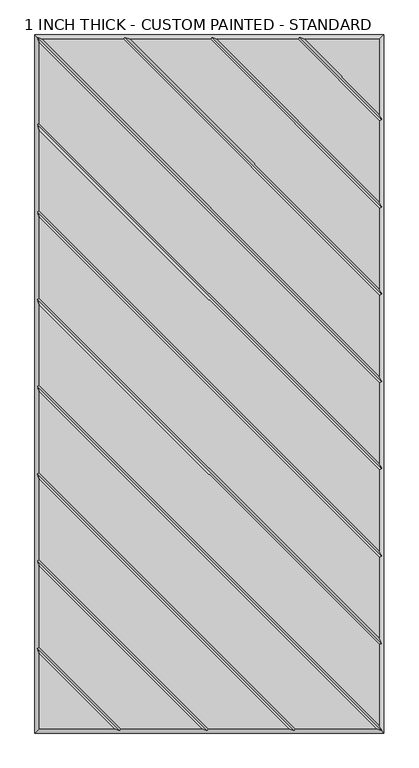
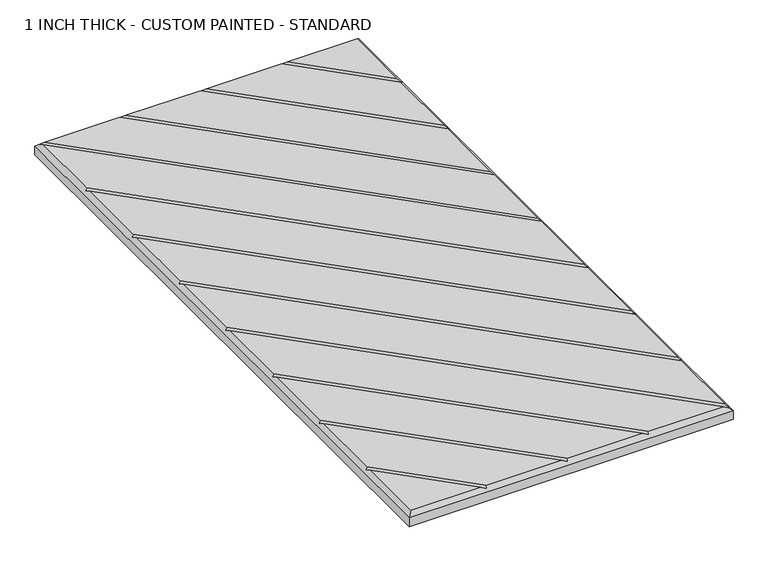
"""IFC4 building model written with IfcOpenShell, lengths in millimetres: proxy geometry, 1 INCH THICK - CUSTOM PAINTED - STANDARD."""

from ifc_helpers import new_model, si_unit, origin, place, context, project, spatial, faceted_brep, source, transform, mapped, element, save


def proxy_1_inch_thick_custom_painted_standard_5b265b83(model_context):
    return source(origin(), model_context, "Body", "Brep", [
        faceted_brep([(296.799, 601.599, 25.4), (166.0590948, 601.599, 25.4), (296.799, 470.8590948, 25.4), (-296.799, -601.599, 25.4), (-166.0590079, -601.599, 25.4), (-296.799, -470.8585721, 25.4), (296.799, 459.543972, 25.4), (154.743972, 601.599, 25.4), (13.6585868, 601.599, 25.4), (296.799, 318.4585868, 25.4), (296.799, 307.143464, 25.4), (2.343464, 601.599, 25.4), (-138.7419092, 601.599, 25.4), (296.799, 166.0585747, 25.4), (296.799, 154.7434583, 25.4), (-150.0570382, 601.599, 25.4), (-291.1414386, 601.599, 25.4), (296.799, 13.6585614, 25.4), (296.799, 2.3434386, 25.4), (-296.799, 595.9414386, 25.4), (-296.799, 454.8565868, 25.4), (296.799, -138.7414132, 25.4), (296.799, -150.056536, 25.4), (-296.799, 443.541464, 25.4), (-296.799, 302.4565868, 25.4), (296.799, -291.1414132, 25.4), (296.799, -302.456536, 25.4), (-296.799, 291.141464, 25.4), (-296.799, 150.0565868, 25.4), (296.799, -443.5414132, 25.4), (296.799, -454.856536, 25.4), (-296.799, 138.741464, 25.4), (-296.799, -2.3434386, 25.4), (296.799, -595.9414386, 25.4), (291.1414386, -601.599, 25.4), (-296.799, -13.6585614, 25.4), (-296.799, -154.7434132, 25.4), (150.0565868, -601.599, 25.4), (-296.799, -459.5434305, 25.4), (-154.743904, -601.599, 25.4), (-13.6585605, -601.599, 25.4), (-296.799, -318.4585369, 25.4), (-296.799, -307.1434137, 25.4), (-2.3434382, -601.599, 25.4), (138.741464, -601.599, 25.4), (-296.799, -166.058536, 25.4), (-304.8, 609.6, 0.0), (304.8, 609.6, 0.0), (304.8, -609.6, 0.0), (-304.8, -609.6, 0.0), (-304.8, -609.6, 17.399), (-304.8, 609.6, 17.399), (304.8, -609.6, 17.399), (304.8, 609.6, 17.399), (-300.7995, 605.5995, 21.3995), (-148.3999782, 605.5995, 21.3995), (4.0005254, 605.5995, 21.3995), (156.4010334, 605.5995, 21.3995), (-300.7995, -461.2004879, 21.3995), (-300.7995, -308.8004749, 21.3995), (-300.7995, -156.4004746, 21.3995), (-300.7995, -4.0005, 21.3995), (-300.7995, 148.3995254, 21.3995), (-300.7995, 300.7995254, 21.3995), (-300.7995, 453.1995254, 21.3995), (300.7995, -605.5995, 21.3995), (148.3995254, -605.5995, 21.3995), (-4.0004997, -605.5995, 21.3995), (-156.4009693, -605.5995, 21.3995), (300.7995, 461.2010334, 21.3995), (300.7995, 308.8005254, 21.3995), (300.7995, 156.400521, 21.3995), (300.7995, 4.0005, 21.3995), (300.7995, -148.3994746, 21.3995), (300.7995, -300.7994746, 21.3995), (300.7995, -453.1994746, 21.3995)], [[[0, 1, 2]], [[3, 4, 5]], [[6, 7, 8, 9]], [[10, 11, 12, 13]], [[14, 15, 16, 17]], [[18, 19, 20, 21]], [[22, 23, 24, 25]], [[26, 27, 28, 29]], [[30, 31, 32, 33]], [[34, 35, 36, 37]], [[38, 39, 40, 41]], [[42, 43, 44, 45]], [[46, 47, 48, 49]], [[46, 49, 50, 51]], [[49, 48, 52, 50]], [[48, 47, 53, 52]], [[47, 46, 51, 53]], [[0, 53, 51, 54, 16, 15, 55, 12, 11, 56, 8, 7, 57, 1]], [[50, 3, 5, 58, 38, 41, 59, 42, 45, 60, 36, 35, 61, 32, 31, 62, 28, 27, 63, 24, 23, 64, 20, 19, 54, 51]], [[3, 50, 52, 65, 34, 37, 66, 44, 43, 67, 40, 39, 68, 4]], [[53, 0, 2, 69, 6, 9, 70, 10, 13, 71, 14, 17, 72, 18, 21, 73, 22, 25, 74, 26, 29, 75, 30, 33, 65, 52]], [[57, 69, 2, 1]], [[69, 57, 7, 6]], [[56, 70, 9, 8]], [[70, 56, 11, 10]], [[55, 71, 13, 12]], [[71, 55, 15, 14]], [[54, 72, 17, 16]], [[72, 54, 19, 18]], [[64, 73, 21, 20]], [[73, 64, 23, 22]], [[63, 74, 25, 24]], [[74, 63, 27, 26]], [[62, 75, 29, 28]], [[75, 62, 31, 30]], [[61, 65, 33, 32]], [[65, 61, 35, 34]], [[58, 68, 39, 38]], [[68, 58, 5, 4]], [[59, 67, 43, 42]], [[67, 59, 41, 40]], [[60, 66, 37, 36]], [[66, 60, 45, 44]]]),
    ])


if __name__ == "__main__":
    model = new_model("IFC4")
    model_context = context("Model", 3, world=origin())
    ifc_project = project(units=[si_unit("LENGTHUNIT", "METRE", prefix="MILLI")], contexts=[model_context])
    site = spatial("IfcSite", under=ifc_project)
    building = spatial("IfcBuilding", under=site)
    placement = place(None, origin())
    proxy_1_inch_thick_custom_painted_standard_shape = proxy_1_inch_thick_custom_painted_standard_5b265b83(model_context)
    element("IfcBuildingElementProxy", 1, Name="1 INCH THICK - CUSTOM PAINTED - STANDARD", ObjectType="1 INCH THICK - CUSTOM PAINTED - STANDARD", at=placement, inside=building, context=model_context, shape_type="MappedRepresentation", body=[
        mapped(proxy_1_inch_thick_custom_painted_standard_shape, transform((0.0, 0.0, 0.0), x_axis=(1.0, 0.0, 0.0), y_axis=(0.0, 1.0, 0.0), z_axis=(0.0, 0.0, 1.0))),
    ])
    save(model, "model.ifc")
